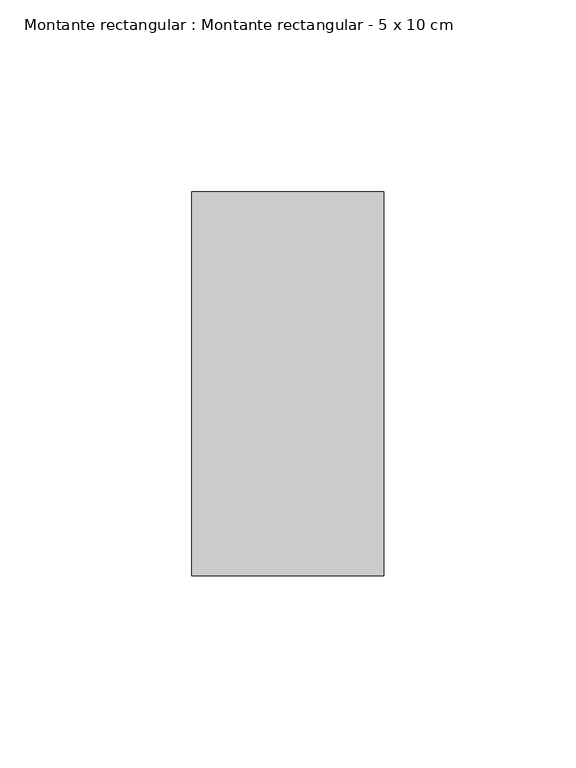
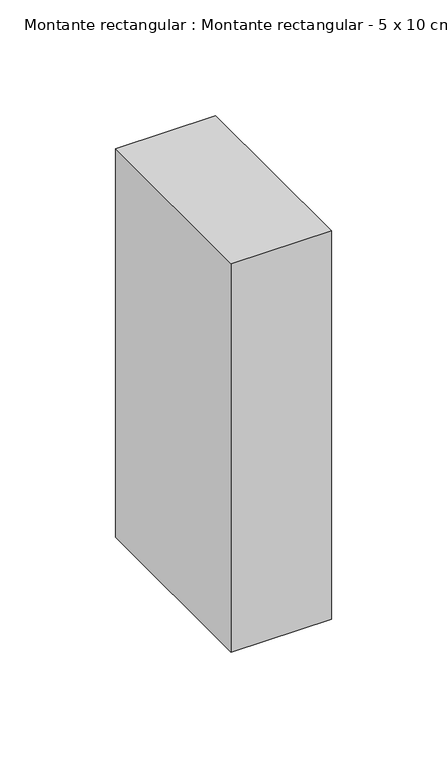
"""IFC4 building model written with IfcOpenShell, lengths in millimetres: member geometry, Montante rectangular : Montante rectangular - 5 x 10 cm."""

from ifc_helpers import new_model, si_unit, frame, origin, place, context, project, spatial, polyline, outline, extrude, source, transform, mapped, element, save


def montante_rectangular_montante_rectangular_5_x_10_cm_e901f5f9(model_context):
    return source(origin(), model_context, "Body", "SweptSolid", [
        extrude(outline(polyline([(0.0, 50.0), (0.0, -50.0), (-50.0, -50.0), (-50.0, 50.0), (0.0, 50.0)])), frame((0.0, 0.0, -205.0), z_axis=(0.0, 0.0, 1.0), x_axis=(1.0, 0.0, 0.0)), (0.0, 0.0, 1.0), 205.0),
    ])


if __name__ == "__main__":
    model = new_model("IFC4")
    model_context = context("Model", 3, world=origin())
    ifc_project = project(units=[si_unit("LENGTHUNIT", "METRE", prefix="MILLI")], contexts=[model_context])
    site = spatial("IfcSite", under=ifc_project)
    building = spatial("IfcBuilding", under=site)
    placement = place(None, origin())
    montante_rectangular_montante_rectangular_5_x_10_cm_shape = montante_rectangular_montante_rectangular_5_x_10_cm_e901f5f9(model_context)
    element("IfcMember", 1, ObjectType="Montante rectangular : Montante rectangular - 5 x 10 cm", at=placement, inside=building, context=model_context, shape_type="MappedRepresentation", body=[
        mapped(montante_rectangular_montante_rectangular_5_x_10_cm_shape, transform((0.0, 0.0, 0.0), x_axis=(1.0, 0.0, 0.0), y_axis=(0.0, 1.0, 0.0), z_axis=(0.0, 0.0, 1.0))),
    ])
    save(model, "model.ifc")
